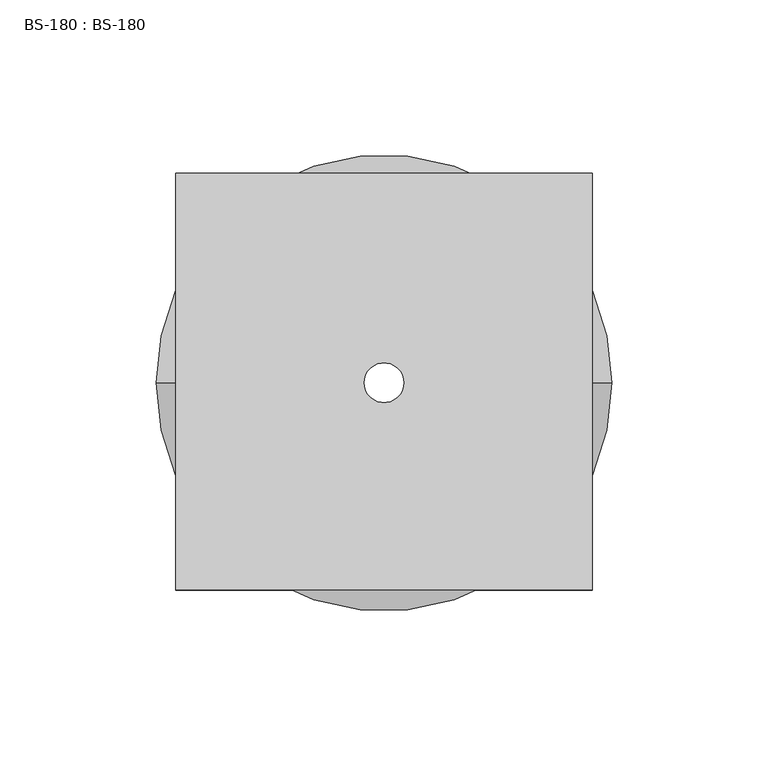
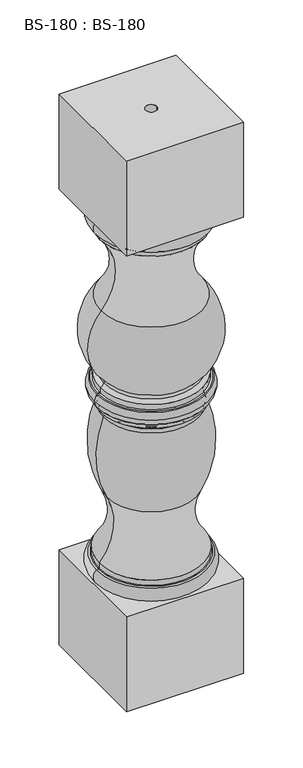
"""IFC4 building model written with IfcOpenShell, lengths in millimetres: proxy geometry, BS-180 : BS-180."""

from ifc_helpers import new_model, si_unit, point, frame, origin, origin_with_axes, place, context, project, spatial, polyline, circle_curve, ellipse_curve, trimmed, source, transform, mapped, element, save
from ifc_brep_helpers import plane_surface, cylinder_surface, revolved_surface, advanced_brep


def bs_180_bs_180_49c40f9f(model_context):
    return source(origin(), model_context, "Body", "AdvancedBrep", [
        advanced_brep(
        [(66.675, -66.3071273, 663.575), (66.675, 67.0428727, 663.575), (-66.675, 67.0428727, 663.575), (-66.675, -66.3071273, 663.575), (6.35, 0.0, 663.575), (-6.35, 0.0, 663.575), (66.675, -66.3071273, 549.275), (-66.675, -66.3071273, 549.275), (-66.675, 67.0428727, 549.275), (66.675, 67.0428727, 549.275), (63.4746003, 0.0, 549.275), (-63.4746003, 0.0, 549.275), (-59.4042528, 0.0, 527.0499974), (59.4042528, 0.0, 527.0499974), (57.4720728, 0.0, 440.1635897), (-57.4720728, 0.0, 440.1635897), (-59.4042528, 0.0, 533.4), (59.4042528, 0.0, 533.4), (-60.9822221, 0.0, 533.4), (60.9822221, 0.0, 533.4), (-63.085529, 0.0, 534.1966129), (63.085529, 0.0, 534.1966129), (-63.085529, 0.0, 129.3783871), (63.085529, 0.0, 129.3783871), (63.4746003, 0.0, 114.3), (-63.4746003, 0.0, 114.3), (-60.9822221, 0.0, 130.175), (60.9822221, 0.0, 130.175), (-59.4042528, 0.0, 130.175), (59.4042528, 0.0, 130.175), (-59.4042528, 0.0, 136.525), (59.4042528, 0.0, 136.525), (-50.6769867, 0.0, 212.6954827), (50.6769867, 0.0, 212.6954827), (-54.7493589, 0.0, 310.7832519), (54.7493589, 0.0, 310.7832519), (-58.6105028, 0.0, 319.0875), (58.6105028, 0.0, 319.0875), (54.2668677, 0.0, 315.3585), (-54.2668677, 0.0, 315.3585), (-58.6105028, 0.0, 325.4375), (58.6105028, 0.0, 325.4375), (-61.2227035, 0.0, 325.4375), (61.2227035, 0.0, 325.4375), (-62.4612399, 0.0, 326.0319322), (62.4612399, 0.0, 326.0319322), (-65.0415903, 0.0, 333.375), (65.0415903, 0.0, 333.375), (-62.4612399, 0.0, 340.7180678), (62.4612399, 0.0, 340.7180678), (-61.2227035, 0.0, 341.3125), (61.2227035, 0.0, 341.3125), (-58.6105028, 0.0, 341.3125), (58.6105028, 0.0, 341.3125), (-58.6105028, 0.0, 347.6625), (58.6105028, 0.0, 347.6625), (-54.2668677, 0.0, 351.3915), (54.2668677, 0.0, 351.3915), (-54.7493589, 0.0, 355.9667481), (54.7493589, 0.0, 355.9667481), (66.675, -66.3071273, 114.3), (66.675, 67.0428727, 114.3), (-66.675, 67.0428727, 114.3), (-66.675, -66.3071273, 114.3), (66.675, -66.3071273, 0.0), (-66.675, -66.3071273, 0.0), (-66.675, 67.0428727, 0.0), (66.675, 67.0428727, 0.0), (-6.35, 0.0, 0.0), (6.35, 0.0, 0.0)],
        [
            (0, 1),
            (1, 2),
            (2, 3),
            (3, 0),
            (4, 5, circle_curve(frame((0.0, 0.0, 663.575), z_axis=(0.0, 0.0, -1.0), x_axis=(1.0, 0.0, 0.0)), 6.35)),
            (5, 4, circle_curve(frame((0.0, 0.0, 663.575), z_axis=(0.0, 0.0, -1.0), x_axis=(1.0, 0.0, 0.0)), 6.35)),
            (6, 7),
            (7, 8),
            (8, 9),
            (9, 6),
            (10, 11, circle_curve(frame((0.0, 0.0, 549.275), z_axis=(0.0, 0.0, 1.0), x_axis=(1.0, 0.0, 0.0)), 63.4746003)),
            (11, 10, circle_curve(frame((0.0, 0.0, 549.275), z_axis=(0.0, 0.0, 1.0), x_axis=(1.0, 0.0, 0.0)), 63.4746003)),
            (0, 6),
            (9, 1),
            (8, 2),
            (7, 3),
            (12, 13, circle_curve(frame((0.0, 0.0, 527.0499974), z_axis=(0.0, 0.0, -1.0), x_axis=(1.0, 0.0, 0.0)), 59.4042528)),
            (13, 14, circle_curve(frame((104.9068748, 0.0, 482.5734223), z_axis=(0.0, -1.0, 0.0), x_axis=(1.0, 0.0, 0.0)), 63.6290369)),
            (14, 15, circle_curve(frame((0.0, 0.0, 440.1635897), z_axis=(0.0, 0.0, 1.0), x_axis=(1.0, 0.0, 0.0)), 57.4720728)),
            (15, 12, circle_curve(frame((-104.9068748, 0.0, 482.5734223), z_axis=(0.0, -1.0, 0.0), x_axis=(-1.0, 0.0, 0.0)), 63.6290369)),
            (13, 12, circle_curve(frame((0.0, 0.0, 527.0499974), z_axis=(0.0, 0.0, -1.0), x_axis=(1.0, 0.0, 0.0)), 59.4042528)),
            (15, 14, circle_curve(frame((0.0, 0.0, 440.1635897), z_axis=(0.0, 0.0, 1.0), x_axis=(1.0, 0.0, 0.0)), 57.4720728)),
            (12, 16),
            (16, 17, circle_curve(frame((0.0, 0.0, 533.4), z_axis=(0.0, 0.0, -1.0), x_axis=(1.0, 0.0, 0.0)), 59.4042528)),
            (17, 13),
            (17, 16, circle_curve(frame((0.0, 0.0, 533.4), z_axis=(0.0, 0.0, -1.0), x_axis=(1.0, 0.0, 0.0)), 59.4042528)),
            (16, 18),
            (18, 19, circle_curve(frame((0.0, 0.0, 533.4), z_axis=(0.0, 0.0, -1.0), x_axis=(1.0, 0.0, 0.0)), 60.9822221)),
            (19, 17),
            (19, 18, circle_curve(frame((0.0, 0.0, 533.4), z_axis=(0.0, 0.0, -1.0), x_axis=(1.0, 0.0, 0.0)), 60.9822221)),
            (18, 20, circle_curve(frame((-60.9822221, 0.0, 536.575), z_axis=(0.0, 1.0, 0.0), x_axis=(-1.0, 0.0, 0.0)), 3.175)),
            (20, 21, circle_curve(frame((0.0, 0.0, 534.1966129), z_axis=(0.0, 0.0, -1.0), x_axis=(1.0, 0.0, 0.0)), 63.085529)),
            (21, 19, circle_curve(frame((60.9822221, 0.0, 536.575), z_axis=(0.0, 1.0, 0.0), x_axis=(1.0, 0.0, 0.0)), 3.175)),
            (21, 20, circle_curve(frame((0.0, 0.0, 534.1966129), z_axis=(0.0, 0.0, -1.0), x_axis=(1.0, 0.0, 0.0)), 63.085529)),
            (20, 11, circle_curve(frame((-56.2580717, 0.0, 541.9169966), z_axis=(0.0, 1.0, 0.0), x_axis=(-1.0, 0.0, 0.0)), 10.3062359)),
            (10, 21, circle_curve(frame((56.2580717, 0.0, 541.9169966), z_axis=(0.0, 1.0, 0.0), x_axis=(1.0, 0.0, 0.0)), 10.3062359)),
            (22, 23, circle_curve(frame((0.0, 0.0, 129.3783871), z_axis=(0.0, 0.0, -1.0), x_axis=(1.0, 0.0, 0.0)), 63.085529)),
            (23, 24, circle_curve(frame((56.2580717, 0.0, 121.6580034), z_axis=(0.0, 1.0, 0.0), x_axis=(1.0, 0.0, 0.0)), 10.3062359)),
            (24, 25, circle_curve(frame((0.0, 0.0, 114.3), z_axis=(0.0, 0.0, 1.0), x_axis=(1.0, 0.0, 0.0)), 63.4746003)),
            (25, 22, circle_curve(frame((-56.2580717, 0.0, 121.6580034), z_axis=(0.0, 1.0, 0.0), x_axis=(-1.0, 0.0, 0.0)), 10.3062359)),
            (23, 22, circle_curve(frame((0.0, 0.0, 129.3783871), z_axis=(0.0, 0.0, -1.0), x_axis=(1.0, 0.0, 0.0)), 63.085529)),
            (25, 24, circle_curve(frame((0.0, 0.0, 114.3), z_axis=(0.0, 0.0, 1.0), x_axis=(1.0, 0.0, 0.0)), 63.4746003)),
            (22, 26, circle_curve(frame((-60.9822221, 0.0, 127.0), z_axis=(0.0, 1.0, 0.0), x_axis=(-1.0, 0.0, 0.0)), 3.175)),
            (26, 27, circle_curve(frame((0.0, 0.0, 130.175), z_axis=(0.0, 0.0, -1.0), x_axis=(1.0, 0.0, 0.0)), 60.9822221)),
            (27, 23, circle_curve(frame((60.9822221, 0.0, 127.0), z_axis=(0.0, 1.0, 0.0), x_axis=(1.0, 0.0, 0.0)), 3.175)),
            (27, 26, circle_curve(frame((0.0, 0.0, 130.175), z_axis=(0.0, 0.0, -1.0), x_axis=(1.0, 0.0, 0.0)), 60.9822221)),
            (26, 28),
            (28, 29, circle_curve(frame((0.0, 0.0, 130.175), z_axis=(0.0, 0.0, -1.0), x_axis=(1.0, 0.0, 0.0)), 59.4042528)),
            (29, 27),
            (29, 28, circle_curve(frame((0.0, 0.0, 130.175), z_axis=(0.0, 0.0, -1.0), x_axis=(1.0, 0.0, 0.0)), 59.4042528)),
            (28, 30),
            (30, 31, circle_curve(frame((0.0, 0.0, 136.525), z_axis=(0.0, 0.0, -1.0), x_axis=(1.0, 0.0, 0.0)), 59.4042528)),
            (31, 29),
            (31, 30, circle_curve(frame((0.0, 0.0, 136.525), z_axis=(0.0, 0.0, -1.0), x_axis=(1.0, 0.0, 0.0)), 59.4042528)),
            (30, 32, circle_curve(frame((-112.2482735, 0.0, 181.1648331), z_axis=(0.0, -1.0, 0.0), x_axis=(-1.0, 0.0, 0.0)), 69.1751778)),
            (32, 33, circle_curve(frame((0.0, 0.0, 212.6954827), z_axis=(0.0, 0.0, -1.0), x_axis=(1.0, 0.0, 0.0)), 50.6769867)),
            (33, 31, circle_curve(frame((112.2482735, 0.0, 181.1648331), z_axis=(0.0, -1.0, 0.0), x_axis=(1.0, 0.0, 0.0)), 69.1751778)),
            (33, 32, circle_curve(frame((0.0, 0.0, 212.6954827), z_axis=(0.0, 0.0, -1.0), x_axis=(1.0, 0.0, 0.0)), 50.6769867)),
            (32, 34, circle_curve(frame((53.722236, 0.0, 266.1583137), z_axis=(0.0, 1.0, 0.0), x_axis=(-1.0, 0.0, 0.0)), 117.2922503)),
            (34, 35, circle_curve(frame((0.0, 0.0, 310.7832519), z_axis=(0.0, 0.0, -1.0), x_axis=(1.0, 0.0, 0.0)), 54.7493589)),
            (35, 33, circle_curve(frame((-53.722236, 0.0, 266.1583137), z_axis=(0.0, 1.0, 0.0), x_axis=(1.0, 0.0, 0.0)), 117.2922503)),
            (35, 34, circle_curve(frame((0.0, 0.0, 310.7832519), z_axis=(0.0, 0.0, -1.0), x_axis=(1.0, 0.0, 0.0)), 54.7493589)),
            (36, 37, circle_curve(frame((0.0, 0.0, 319.0875), z_axis=(0.0, 0.0, -1.0), x_axis=(1.0, 0.0, 0.0)), 58.6105028)),
            (37, 38, circle_curve(frame((58.738539, 0.0, 314.5440713), z_axis=(0.0, -1.0, 0.0), x_axis=(1.0, 0.0, 0.0)), 4.5452324)),
            (38, 39, circle_curve(frame((0.0, 0.0, 315.3585), z_axis=(0.0, 0.0, 1.0), x_axis=(1.0, 0.0, 0.0)), 54.2668677)),
            (39, 36, circle_curve(frame((-58.738539, 0.0, 314.5440713), z_axis=(0.0, -1.0, 0.0), x_axis=(-1.0, 0.0, 0.0)), 4.5452324)),
            (37, 36, circle_curve(frame((0.0, 0.0, 319.0875), z_axis=(0.0, 0.0, -1.0), x_axis=(1.0, 0.0, 0.0)), 58.6105028)),
            (39, 38, circle_curve(frame((0.0, 0.0, 315.3585), z_axis=(0.0, 0.0, 1.0), x_axis=(1.0, 0.0, 0.0)), 54.2668677)),
            (36, 40),
            (40, 41, circle_curve(frame((0.0, 0.0, 325.4375), z_axis=(0.0, 0.0, -1.0), x_axis=(1.0, 0.0, 0.0)), 58.6105028)),
            (41, 37),
            (41, 40, circle_curve(frame((0.0, 0.0, 325.4375), z_axis=(0.0, 0.0, -1.0), x_axis=(1.0, 0.0, 0.0)), 58.6105028)),
            (40, 42),
            (42, 43, circle_curve(frame((0.0, 0.0, 325.4375), z_axis=(0.0, 0.0, -1.0), x_axis=(1.0, 0.0, 0.0)), 61.2227035)),
            (43, 41),
            (43, 42, circle_curve(frame((0.0, 0.0, 325.4375), z_axis=(0.0, 0.0, -1.0), x_axis=(1.0, 0.0, 0.0)), 61.2227035)),
            (42, 44, circle_curve(frame((-61.2227035, 0.0, 327.025), z_axis=(0.0, 1.0, 0.0), x_axis=(-1.0, 0.0, 0.0)), 1.5875)),
            (44, 45, circle_curve(frame((0.0, 0.0, 326.0319322), z_axis=(0.0, 0.0, -1.0), x_axis=(1.0, 0.0, 0.0)), 62.4612399)),
            (45, 43, circle_curve(frame((61.2227035, 0.0, 327.025), z_axis=(0.0, 1.0, 0.0), x_axis=(1.0, 0.0, 0.0)), 1.5875)),
            (45, 44, circle_curve(frame((0.0, 0.0, 326.0319322), z_axis=(0.0, 0.0, -1.0), x_axis=(1.0, 0.0, 0.0)), 62.4612399)),
            (44, 46, circle_curve(frame((-53.3030965, 0.0, 333.375), z_axis=(0.0, 1.0, 0.0), x_axis=(-1.0, 0.0, 0.0)), 11.7384937)),
            (46, 47, circle_curve(frame((0.0, 0.0, 333.375), z_axis=(0.0, 0.0, -1.0), x_axis=(1.0, 0.0, 0.0)), 65.0415903)),
            (47, 45, circle_curve(frame((53.3030965, 0.0, 333.375), z_axis=(0.0, 1.0, 0.0), x_axis=(1.0, 0.0, 0.0)), 11.7384937)),
            (47, 46, circle_curve(frame((0.0, 0.0, 333.375), z_axis=(0.0, 0.0, -1.0), x_axis=(1.0, 0.0, 0.0)), 65.0415903)),
            (46, 48, circle_curve(frame((-53.3030965, 0.0, 333.375), z_axis=(0.0, 1.0, 0.0), x_axis=(-1.0, 0.0, 0.0)), 11.7384937)),
            (48, 49, circle_curve(frame((0.0, 0.0, 340.7180678), z_axis=(0.0, 0.0, -1.0), x_axis=(1.0, 0.0, 0.0)), 62.4612399)),
            (49, 47, circle_curve(frame((53.3030965, 0.0, 333.375), z_axis=(0.0, 1.0, 0.0), x_axis=(1.0, 0.0, 0.0)), 11.7384937)),
            (49, 48, circle_curve(frame((0.0, 0.0, 340.7180678), z_axis=(0.0, 0.0, -1.0), x_axis=(1.0, 0.0, 0.0)), 62.4612399)),
            (48, 50, circle_curve(frame((-61.2227035, 0.0, 339.725), z_axis=(0.0, 1.0, 0.0), x_axis=(-1.0, 0.0, 0.0)), 1.5875)),
            (50, 51, circle_curve(frame((0.0, 0.0, 341.3125), z_axis=(0.0, 0.0, -1.0), x_axis=(1.0, 0.0, 0.0)), 61.2227035)),
            (51, 49, circle_curve(frame((61.2227035, 0.0, 339.725), z_axis=(0.0, 1.0, 0.0), x_axis=(1.0, 0.0, 0.0)), 1.5875)),
            (51, 50, circle_curve(frame((0.0, 0.0, 341.3125), z_axis=(0.0, 0.0, -1.0), x_axis=(1.0, 0.0, 0.0)), 61.2227035)),
            (50, 52),
            (52, 53, circle_curve(frame((0.0, 0.0, 341.3125), z_axis=(0.0, 0.0, -1.0), x_axis=(1.0, 0.0, 0.0)), 58.6105028)),
            (53, 51),
            (53, 52, circle_curve(frame((0.0, 0.0, 341.3125), z_axis=(0.0, 0.0, -1.0), x_axis=(1.0, 0.0, 0.0)), 58.6105028)),
            (52, 54),
            (54, 55, circle_curve(frame((0.0, 0.0, 347.6625), z_axis=(0.0, 0.0, -1.0), x_axis=(1.0, 0.0, 0.0)), 58.6105028)),
            (55, 53),
            (55, 54, circle_curve(frame((0.0, 0.0, 347.6625), z_axis=(0.0, 0.0, -1.0), x_axis=(1.0, 0.0, 0.0)), 58.6105028)),
            (54, 56, circle_curve(frame((-62.9880405, 0.0, 357.1558574), z_axis=(0.0, -1.0, 0.0), x_axis=(-1.0, 0.0, 0.0)), 10.4540266)),
            (56, 57, circle_curve(frame((0.0, 0.0, 351.3915), z_axis=(0.0, 0.0, -1.0), x_axis=(1.0, 0.0, 0.0)), 54.2668677)),
            (57, 55, circle_curve(frame((62.9880405, 0.0, 357.1558574), z_axis=(0.0, -1.0, 0.0), x_axis=(1.0, 0.0, 0.0)), 10.4540266)),
            (57, 56, circle_curve(frame((0.0, 0.0, 351.3915), z_axis=(0.0, 0.0, -1.0), x_axis=(1.0, 0.0, 0.0)), 54.2668677)),
            (56, 58, circle_curve(frame((-57.2848876, 0.0, 353.3862942), z_axis=(0.0, -1.0, 0.0), x_axis=(-1.0, 0.0, 0.0)), 3.6176855)),
            (58, 59, circle_curve(frame((0.0, 0.0, 355.9667481), z_axis=(0.0, 0.0, -1.0), x_axis=(1.0, 0.0, 0.0)), 54.7493589)),
            (59, 57, circle_curve(frame((57.2848876, 0.0, 353.3862942), z_axis=(0.0, -1.0, 0.0), x_axis=(1.0, 0.0, 0.0)), 3.6176855)),
            (59, 58, circle_curve(frame((0.0, 0.0, 355.9667481), z_axis=(0.0, 0.0, -1.0), x_axis=(1.0, 0.0, 0.0)), 54.7493589)),
            (34, 39, circle_curve(frame((-62.3098618, 0.0, 313.8936236), z_axis=(0.0, -1.0, 0.0), x_axis=(-1.0, 0.0, 0.0)), 8.1753053)),
            (38, 35, circle_curve(frame((62.3098618, 0.0, 313.8936236), z_axis=(0.0, -1.0, 0.0), x_axis=(1.0, 0.0, 0.0)), 8.1753053)),
            (14, 59, circle_curve(frame((11.9816844, 0.0, 399.4921907), z_axis=(0.0, 1.0, 0.0), x_axis=(1.0, 0.0, 0.0)), 61.0208008)),
            (58, 15, circle_curve(frame((-11.9816844, 0.0, 399.4921907), z_axis=(0.0, 1.0, 0.0), x_axis=(-1.0, 0.0, 0.0)), 61.0208008)),
            (60, 61),
            (61, 62),
            (62, 63),
            (63, 60),
            (64, 65),
            (65, 66),
            (66, 67),
            (67, 64),
            (68, 69, circle_curve(origin_with_axes(), 6.35)),
            (69, 68, circle_curve(origin_with_axes(), 6.35)),
            (60, 64),
            (67, 61),
            (66, 62),
            (65, 63),
            (4, 69),
            (68, 5),
        ],
        [
            plane_surface(frame((66.675, -107.95, 663.575), z_axis=(0.0, 0.0, 1.0), x_axis=(0.0, 1.0, 0.0))),
            plane_surface(frame((66.675, -107.95, 549.275), z_axis=(0.0, 0.0, -1.0), x_axis=(0.0, -1.0, 0.0))),
            plane_surface(frame((66.675, -66.3071273, 663.575), z_axis=(1.0, 0.0, 0.0), x_axis=(0.0, 0.0, -1.0))),
            plane_surface(frame((66.675, 67.0428727, 663.575), z_axis=(0.0, 1.0, 0.0), x_axis=(0.0, 0.0, -1.0))),
            plane_surface(frame((-66.675, 67.0428727, 663.575), z_axis=(-1.0, 0.0, 0.0), x_axis=(0.0, 0.0, -1.0))),
            plane_surface(frame((-66.675, -66.3071273, 663.575), z_axis=(0.0, -1.0, 0.0), x_axis=(0.0, 0.0, -1.0))),
            revolved_surface(trimmed(ellipse_curve(frame((104.9068748, 0.0, 482.5734223), z_axis=(0.0, 1.0, 0.0), x_axis=(1.0, 0.0, 0.0)), 63.6290369, 63.6290369), [point((57.4720728, 0.0, 440.1635897))], [point((59.4042528, 0.0, 527.0499974))], True, "CARTESIAN"), (0.0, 0.0, 663.575), (0.0, 0.0, 1.0)),
            cylinder_surface(frame((0.0, 0.0, 663.575), z_axis=(0.0, 0.0, 1.0), x_axis=(1.0, 0.0, 0.0)), 59.4042528),
            plane_surface(frame((0.0, 0.0, 533.4), z_axis=(0.0, 0.0, -1.0), x_axis=(1.0, 0.0, 0.0))),
            revolved_surface(trimmed(ellipse_curve(frame((60.9822221, 0.0, 536.575), z_axis=(0.0, -1.0, 0.0), x_axis=(1.0, 0.0, 0.0)), 3.175, 3.175), [point((60.9822221, 0.0, 533.4))], [point((63.085529, 0.0, 534.1966129))], True, "CARTESIAN"), (0.0, 0.0, 663.575), (0.0, 0.0, 1.0)),
            revolved_surface(trimmed(ellipse_curve(frame((56.2580717, 0.0, 541.9169966), z_axis=(0.0, -1.0, 0.0), x_axis=(1.0, 0.0, 0.0)), 10.3062359, 10.3062359), [point((63.085529, 0.0, 534.1966129))], [point((63.4746003, 0.0, 549.275))], True, "CARTESIAN"), (0.0, 0.0, 663.575), (0.0, 0.0, 1.0)),
            revolved_surface(trimmed(ellipse_curve(frame((56.2580717, 0.0, 121.6580034), z_axis=(0.0, -1.0, 0.0), x_axis=(1.0, 0.0, 0.0)), 10.3062359, 10.3062359), [point((63.4746003, 0.0, 114.3))], [point((63.085529, 0.0, 129.3783871))], True, "CARTESIAN"), (0.0, 0.0, 663.575), (0.0, 0.0, 1.0)),
            revolved_surface(trimmed(ellipse_curve(frame((60.9822221, 0.0, 127.0), z_axis=(0.0, -1.0, 0.0), x_axis=(1.0, 0.0, 0.0)), 3.175, 3.175), [point((63.085529, 0.0, 129.3783871))], [point((60.9822221, 0.0, 130.175))], True, "CARTESIAN"), (0.0, 0.0, 663.575), (0.0, 0.0, 1.0)),
            plane_surface(frame((0.0, 0.0, 130.175), z_axis=(0.0, 0.0, 1.0), x_axis=(1.0, 0.0, 0.0))),
            revolved_surface(trimmed(ellipse_curve(frame((112.2482735, 0.0, 181.1648331), z_axis=(0.0, 1.0, 0.0), x_axis=(1.0, 0.0, 0.0)), 69.1751778, 69.1751778), [point((59.4042528, 0.0, 136.525))], [point((50.6769867, 0.0, 212.6954827))], True, "CARTESIAN"), (0.0, 0.0, 663.575), (0.0, 0.0, 1.0)),
            revolved_surface(trimmed(ellipse_curve(frame((-53.722236, 0.0, 266.1583137), z_axis=(0.0, -1.0, 0.0), x_axis=(1.0, 0.0, 0.0)), 117.2922503, 117.2922503), [point((50.6769867, 0.0, 212.6954827))], [point((54.7493589, 0.0, 310.7832519))], True, "CARTESIAN"), (0.0, 0.0, 663.575), (0.0, 0.0, 1.0)),
            revolved_surface(trimmed(ellipse_curve(frame((58.738539, 0.0, 314.5440713), z_axis=(0.0, 1.0, 0.0), x_axis=(1.0, 0.0, 0.0)), 4.5452324, 4.5452324), [point((54.2668677, 0.0, 315.3585))], [point((58.6105028, 0.0, 319.0875))], True, "CARTESIAN"), (0.0, 0.0, 663.575), (0.0, 0.0, 1.0)),
            cylinder_surface(frame((0.0, 0.0, 663.575), z_axis=(0.0, 0.0, 1.0), x_axis=(1.0, 0.0, 0.0)), 58.6105028),
            plane_surface(frame((0.0, 0.0, 325.4375), z_axis=(0.0, 0.0, -1.0), x_axis=(1.0, 0.0, 0.0))),
            revolved_surface(trimmed(ellipse_curve(frame((61.2227035, 0.0, 327.025), z_axis=(0.0, -1.0, 0.0), x_axis=(1.0, 0.0, 0.0)), 1.5875, 1.5875), [point((61.2227035, 0.0, 325.4375))], [point((62.4612399, 0.0, 326.0319322))], True, "CARTESIAN"), (0.0, 0.0, 663.575), (0.0, 0.0, 1.0)),
            revolved_surface(trimmed(ellipse_curve(frame((53.3030965, 0.0, 333.375), z_axis=(0.0, -1.0, 0.0), x_axis=(1.0, 0.0, 0.0)), 11.7384937, 11.7384937), [point((62.4612399, 0.0, 326.0319322))], [point((65.0415903, 0.0, 333.375))], True, "CARTESIAN"), (0.0, 0.0, 663.575), (0.0, 0.0, 1.0)),
            revolved_surface(trimmed(ellipse_curve(frame((53.3030965, 0.0, 333.375), z_axis=(0.0, -1.0, 0.0), x_axis=(1.0, 0.0, 0.0)), 11.7384937, 11.7384937), [point((65.0415903, 0.0, 333.375))], [point((62.4612399, 0.0, 340.7180678))], True, "CARTESIAN"), (0.0, 0.0, 663.575), (0.0, 0.0, 1.0)),
            revolved_surface(trimmed(ellipse_curve(frame((61.2227035, 0.0, 339.725), z_axis=(0.0, -1.0, 0.0), x_axis=(1.0, 0.0, 0.0)), 1.5875, 1.5875), [point((62.4612399, 0.0, 340.7180678))], [point((61.2227035, 0.0, 341.3125))], True, "CARTESIAN"), (0.0, 0.0, 663.575), (0.0, 0.0, 1.0)),
            plane_surface(frame((0.0, 0.0, 341.3125), z_axis=(0.0, 0.0, 1.0), x_axis=(1.0, 0.0, 0.0))),
            revolved_surface(trimmed(ellipse_curve(frame((62.9880405, 0.0, 357.1558574), z_axis=(0.0, 1.0, 0.0), x_axis=(1.0, 0.0, 0.0)), 10.4540266, 10.4540266), [point((58.6105028, 0.0, 347.6625))], [point((54.2668677, 0.0, 351.3915))], True, "CARTESIAN"), (0.0, 0.0, 663.575), (0.0, 0.0, 1.0)),
            revolved_surface(trimmed(ellipse_curve(frame((57.2848876, 0.0, 353.3862942), z_axis=(0.0, 1.0, 0.0), x_axis=(1.0, 0.0, 0.0)), 3.6176855, 3.6176855), [point((54.2668677, 0.0, 351.3915))], [point((54.7493589, 0.0, 355.9667481))], True, "CARTESIAN"), (0.0, 0.0, 663.575), (0.0, 0.0, 1.0)),
            revolved_surface(trimmed(ellipse_curve(frame((62.3098618, 0.0, 313.8936236), z_axis=(0.0, 1.0, 0.0), x_axis=(1.0, 0.0, 0.0)), 8.1753053, 8.1753053), [point((54.7493589, 0.0, 310.7832519))], [point((54.2668677, 0.0, 315.3585))], True, "CARTESIAN"), (0.0, 0.0, 663.575), (0.0, 0.0, 1.0)),
            revolved_surface(trimmed(ellipse_curve(frame((11.9816844, 0.0, 399.4921907), z_axis=(0.0, -1.0, 0.0), x_axis=(1.0, 0.0, 0.0)), 61.0208008, 61.0208008), [point((54.7493589, 0.0, 355.9667481))], [point((57.4720728, 0.0, 440.1635897))], True, "CARTESIAN"), (0.0, 0.0, 663.575), (0.0, 0.0, 1.0)),
            plane_surface(frame((66.675, -107.95, 114.3), z_axis=(0.0, 0.0, 1.0), x_axis=(0.0, 1.0, 0.0))),
            plane_surface(frame((66.675, -107.95, 0.0), z_axis=(0.0, 0.0, -1.0), x_axis=(0.0, -1.0, 0.0))),
            plane_surface(frame((66.675, -66.3071273, 114.3), z_axis=(1.0, 0.0, 0.0), x_axis=(0.0, 0.0, -1.0))),
            plane_surface(frame((66.675, 67.0428727, 114.3), z_axis=(0.0, 1.0, 0.0), x_axis=(0.0, 0.0, -1.0))),
            plane_surface(frame((-66.675, 67.0428727, 114.3), z_axis=(-1.0, 0.0, 0.0), x_axis=(0.0, 0.0, -1.0))),
            plane_surface(frame((-66.675, -66.3071273, 114.3), z_axis=(0.0, -1.0, 0.0), x_axis=(0.0, 0.0, -1.0))),
            revolved_surface(polyline([(6.35, 0.0, 663.575), (6.35, 0.0, 0.0)]), (0.0, 0.0, 0.0), (0.0, 0.0, 1.0)),
        ],
        [
            (0, [[1, 2, 3, 4], [5, 6]]),
            (1, [[7, 8, 9, 10], [11, 12]]),
            (2, [[-1, 13, -10, 14]]),
            (3, [[-2, -14, -9, 15]]),
            (4, [[-3, -15, -8, 16]]),
            (5, [[-4, -16, -7, -13]]),
            (6, [[17, 18, 19, 20]]),
            (6, [[-18, 21, -20, 22]]),
            (7, [[-17, 23, 24, 25]]),
            (7, [[-21, -25, 26, -23]]),
            (8, [[-24, 27, 28, 29]]),
            (8, [[-26, -29, 30, -27]]),
            (9, [[-28, 31, 32, 33]]),
            (9, [[-30, -33, 34, -31]]),
            (10, [[-32, 35, -11, 36]]),
            (10, [[-34, -36, -12, -35]]),
            (11, [[37, 38, 39, 40]]),
            (11, [[-38, 41, -40, 42]]),
            (12, [[-37, 43, 44, 45]]),
            (12, [[-41, -45, 46, -43]]),
            (13, [[-44, 47, 48, 49]]),
            (13, [[-46, -49, 50, -47]]),
            (7, [[-48, 51, 52, 53]]),
            (7, [[-50, -53, 54, -51]]),
            (14, [[-52, 55, 56, 57]]),
            (14, [[-54, -57, 58, -55]]),
            (15, [[-56, 59, 60, 61]]),
            (15, [[-58, -61, 62, -59]]),
            (16, [[63, 64, 65, 66]]),
            (16, [[-64, 67, -66, 68]]),
            (17, [[-63, 69, 70, 71]]),
            (17, [[-67, -71, 72, -69]]),
            (18, [[-70, 73, 74, 75]]),
            (18, [[-72, -75, 76, -73]]),
            (19, [[-74, 77, 78, 79]]),
            (19, [[-76, -79, 80, -77]]),
            (20, [[-78, 81, 82, 83]]),
            (20, [[-80, -83, 84, -81]]),
            (21, [[-82, 85, 86, 87]]),
            (21, [[-84, -87, 88, -85]]),
            (22, [[-86, 89, 90, 91]]),
            (22, [[-88, -91, 92, -89]]),
            (23, [[-90, 93, 94, 95]]),
            (23, [[-92, -95, 96, -93]]),
            (17, [[-94, 97, 98, 99]]),
            (17, [[-96, -99, 100, -97]]),
            (24, [[-98, 101, 102, 103]]),
            (24, [[-100, -103, 104, -101]]),
            (25, [[-102, 105, 106, 107]]),
            (25, [[-104, -107, 108, -105]]),
            (26, [[-60, 109, -65, 110]]),
            (26, [[-62, -110, -68, -109]]),
            (27, [[-19, 111, -106, 112]]),
            (27, [[-22, -112, -108, -111]]),
            (28, [[113, 114, 115, 116], [-39, -42]]),
            (29, [[117, 118, 119, 120], [121, 122]]),
            (30, [[-113, 123, -120, 124]]),
            (31, [[-114, -124, -119, 125]]),
            (32, [[-115, -125, -118, 126]]),
            (33, [[-116, -126, -117, -123]]),
            (34, [[127, -121, 128, -5]]),
            (34, [[-127, -6, -128, -122]]),
        ],
    ),
    ])


if __name__ == "__main__":
    model = new_model("IFC4")
    model_context = context("Model", 3, world=origin())
    ifc_project = project(units=[si_unit("LENGTHUNIT", "METRE", prefix="MILLI")], contexts=[model_context])
    site = spatial("IfcSite", under=ifc_project)
    building = spatial("IfcBuilding", under=site)
    placement = place(None, origin())
    bs_180_bs_180_shape = bs_180_bs_180_49c40f9f(model_context)
    element("IfcBuildingElementProxy", 1, Name="BS-180 : BS-180", ObjectType="BS-180 : BS-180", at=placement, inside=building, context=model_context, shape_type="MappedRepresentation", body=[
        mapped(bs_180_bs_180_shape, transform((0.0, 0.0, 0.0), x_axis=(1.0, 0.0, 0.0), y_axis=(0.0, 1.0, 0.0), z_axis=(0.0, 0.0, 1.0))),
    ])
    save(model, "model.ifc")
